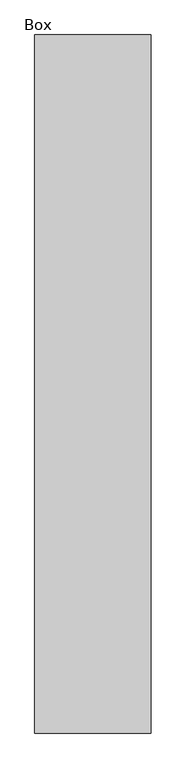
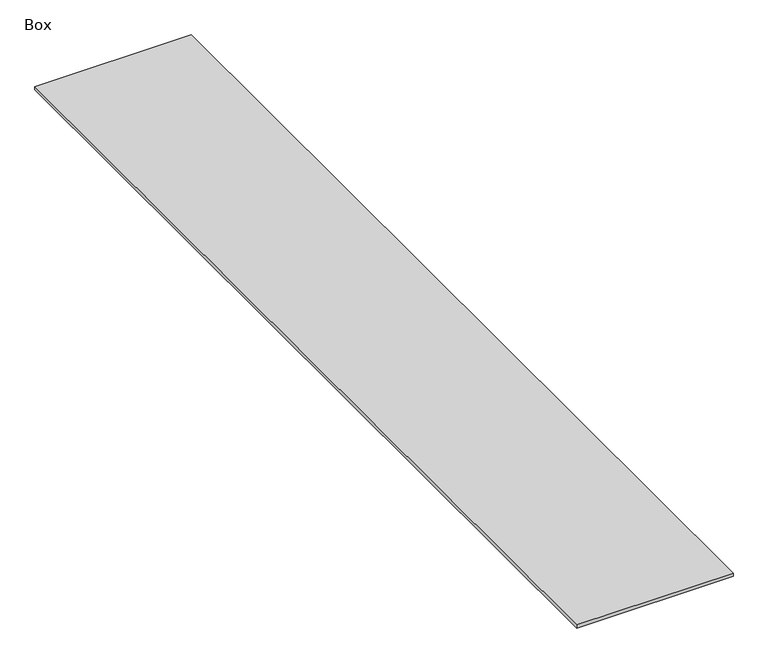
"""IFC4 building model written with IfcOpenShell, lengths in millimetres: furniture geometry, Box."""

from ifc_helpers import new_model, si_unit, origin, origin_with_axes, place, context, project, spatial, polyline, outline, extrude, source, transform, mapped, element, save


def box_0b3be031(model_context):
    return source(origin(), model_context, "Body", "SweptSolid", [
        extrude(outline(polyline([(520.7, 1629.0465234), (520.7, -2028.5534766), (-88.9, -2028.5534766), (-88.9, 1629.0465234), (520.7, 1629.0465234)])), origin_with_axes(), (0.0, 0.0, 1.0), 12.7),
    ])


if __name__ == "__main__":
    model = new_model("IFC4")
    model_context = context("Model", 3, world=origin())
    ifc_project = project(units=[si_unit("LENGTHUNIT", "METRE", prefix="MILLI")], contexts=[model_context])
    site = spatial("IfcSite", under=ifc_project)
    building = spatial("IfcBuilding", under=site)
    placement = place(None, origin())
    box_shape = box_0b3be031(model_context)
    element("IfcFurniture", 1, ObjectType="Box", at=placement, inside=building, context=model_context, shape_type="MappedRepresentation", body=[
        mapped(box_shape, transform((0.0, 0.0, 0.0), x_axis=(1.0, 0.0, 0.0), y_axis=(0.0, 1.0, 0.0), z_axis=(0.0, 0.0, 1.0))),
    ])
    save(model, "model.ifc")
